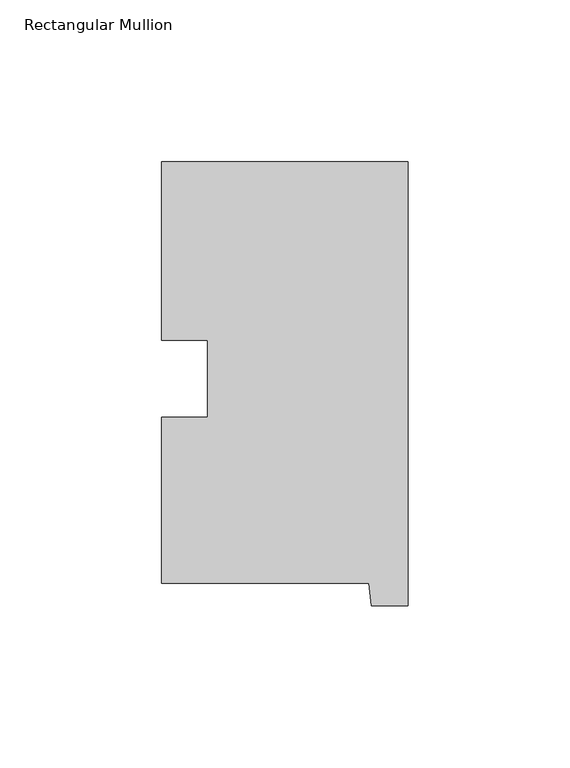
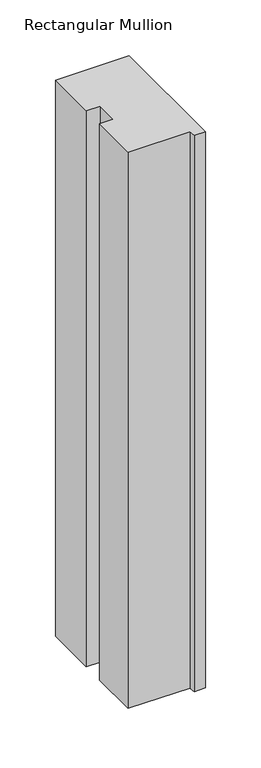
"""IFC4 building model written with IfcOpenShell, lengths in millimetres: member geometry, Rectangular Mullion."""

from ifc_helpers import new_model, si_unit, frame, origin, place, context, project, spatial, polyline, outline, extrude, source, transform, mapped, element, save


def rectangular_mullion_c5100473(model_context):
    return source(origin(), model_context, "Body", "SweptSolid", [
        extrude(outline(polyline([(-76.2, 130.56235), (0.0, 130.56235), (0.0, -6.64845), (-11.4023812, -6.64845), (-12.1549448, 0.26035), (-76.2, 0.26035), (-76.2, 51.60645), (-61.960125, 51.60645), (-61.960125, 75.40625), (-76.2, 75.40625), (-76.2, 130.56235)])), frame((0.0, 0.0, -609.6), z_axis=(0.0, 0.0, 1.0), x_axis=(1.0, 0.0, 0.0)), (0.0, 0.0, 1.0), 609.6),
    ])


if __name__ == "__main__":
    model = new_model("IFC4")
    model_context = context("Model", 3, world=origin())
    ifc_project = project(units=[si_unit("LENGTHUNIT", "METRE", prefix="MILLI")], contexts=[model_context])
    site = spatial("IfcSite", under=ifc_project)
    building = spatial("IfcBuilding", under=site)
    placement = place(None, origin())
    rectangular_mullion_shape = rectangular_mullion_c5100473(model_context)
    element("IfcMember", 1, ObjectType="Rectangular Mullion", at=placement, inside=building, context=model_context, shape_type="MappedRepresentation", body=[
        mapped(rectangular_mullion_shape, transform((0.0, 0.0, 0.0), x_axis=(1.0, 0.0, 0.0), y_axis=(0.0, 1.0, 0.0), z_axis=(0.0, 0.0, 1.0))),
    ])
    save(model, "model.ifc")
